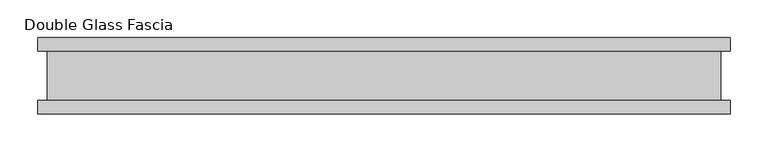
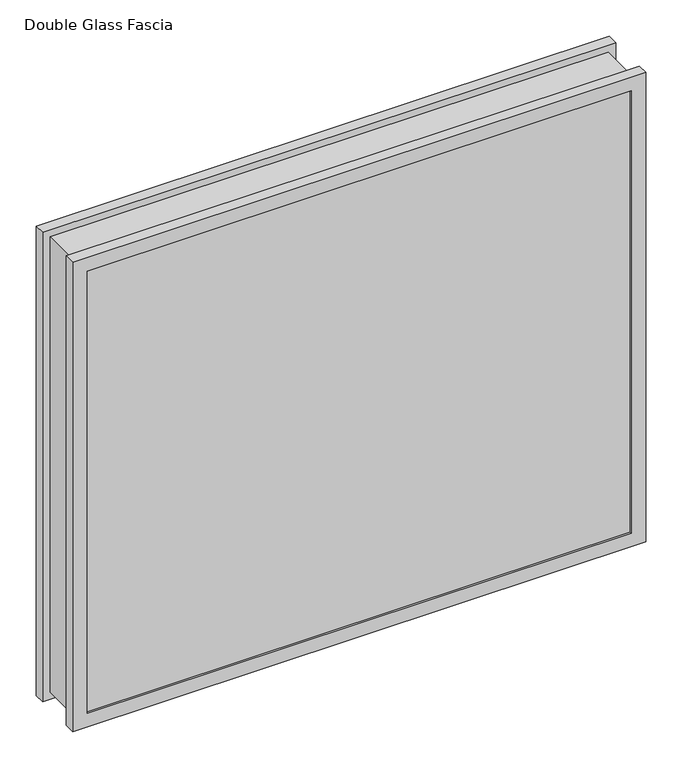
"""IFC4 building model written with IfcOpenShell, lengths in millimetres: proxy geometry, Double Glass Fascia."""

from ifc_helpers import new_model, si_unit, frame, origin, place, context, project, spatial, polyline, outline, extrude, faceted_brep, source, transform, mapped, element, save


def double_glass_fascia_8f38919f(model_context):
    return source(origin(), model_context, "Body", "SolidModel", [
        faceted_brep([(443.4640848, -32.4352299, 780.4920849), (443.4640848, -32.4352299, 15.0359151), (443.4640848, 32.4352299, 15.0359151), (443.4640848, 32.4352299, 780.4920849), (-443.4640848, -32.4352299, 15.0359151), (-443.4640848, 32.4352299, 15.0359151), (-443.4640848, -32.4352299, 780.4920849), (-443.4640848, 32.4352299, 780.4920849), (432.2871999, 38.8962152, 769.3152), (432.2871999, 38.8962152, 26.2128), (432.2871999, -38.8962152, 26.2128), (432.2871999, -38.8962152, 769.3152), (449.0218392, 47.1322551, 786.0498392), (449.0218392, 47.1322551, 9.4781608), (449.0218392, 38.8962152, 9.4781608), (449.0218392, 38.8962152, 786.0498392), (432.1093999, 50.0558594, 769.1374), (432.1093999, 50.0558594, 26.3906), (432.1093999, 47.1322551, 26.3906), (432.1093999, 47.1322551, 769.1374), (455.3249999, 32.4352299, 792.353), (455.3249999, 32.4352299, 3.175), (455.3249999, 50.0558594, 3.175), (455.3249999, 50.0558594, 792.353), (-432.2871999, 38.8962152, 26.2128), (-432.2871999, -38.8962152, 26.2128), (-449.0218392, 47.1322551, 9.4781608), (-449.0218392, 38.8962152, 9.4781608), (-432.1093999, 50.0558594, 26.3906), (-432.1093999, 47.1322551, 26.3906), (-455.3249999, 32.4352299, 3.175), (-455.3249999, 50.0558594, 3.175), (-432.2871999, 38.8962152, 769.3152), (-432.2871999, -38.8962152, 769.3152), (-449.0218392, 47.1322551, 786.0498392), (-449.0218392, 38.8962152, 786.0498392), (-432.1093999, 50.0558594, 769.1374), (-432.1093999, 47.1322551, 769.1374), (-455.3249999, 32.4352299, 792.353), (-455.3249999, 50.0558594, 792.353), (455.3249999, -50.0558594, 792.353), (455.3249999, -50.0558594, 3.175), (455.3249999, -32.4352299, 3.175), (455.3249999, -32.4352299, 792.353), (432.2871999, -47.1322551, 769.3152), (432.2871999, -47.1322551, 26.2128), (432.2871999, -50.0558594, 26.2128), (432.2871999, -50.0558594, 769.3152), (449.0218392, -38.8962152, 786.0498392), (449.0218392, -38.8962152, 9.4781608), (449.0218392, -47.1322551, 9.4781608), (449.0218392, -47.1322551, 786.0498392), (-455.3249999, -50.0558594, 3.175), (-455.3249999, -32.4352299, 3.175), (-432.2871999, -47.1322551, 26.2128), (-432.2871999, -50.0558594, 26.2128), (-449.0218392, -38.8962152, 9.4781608), (-449.0218392, -47.1322551, 9.4781608), (-455.3249999, -50.0558594, 792.353), (-455.3249999, -32.4352299, 792.353), (-432.2871999, -47.1322551, 769.3152), (-432.2871999, -50.0558594, 769.3152), (-449.0218392, -38.8962152, 786.0498392), (-449.0218392, -47.1322551, 786.0498392)], [[[0, 1, 2, 3]], [[1, 4, 5, 2]], [[4, 6, 7, 5]], [[6, 0, 3, 7]], [[8, 9, 10, 11]], [[12, 13, 14, 15]], [[16, 17, 18, 19]], [[20, 21, 22, 23]], [[9, 24, 25, 10]], [[13, 26, 27, 14]], [[17, 28, 29, 18]], [[21, 30, 31, 22]], [[24, 32, 33, 25]], [[26, 34, 35, 27]], [[28, 36, 37, 29]], [[30, 38, 39, 31]], [[32, 8, 11, 33]], [[15, 14, 27, 35], [9, 8, 32, 24]], [[34, 12, 15, 35]], [[13, 12, 34, 26], [19, 18, 29, 37]], [[36, 16, 19, 37]], [[23, 22, 31, 39], [17, 16, 36, 28]], [[38, 20, 23, 39]], [[21, 20, 38, 30], [3, 2, 5, 7]], [[40, 41, 42, 43]], [[44, 45, 46, 47]], [[48, 49, 50, 51]], [[41, 52, 53, 42]], [[45, 54, 55, 46]], [[49, 56, 57, 50]], [[52, 58, 59, 53]], [[54, 60, 61, 55]], [[56, 62, 63, 57]], [[43, 42, 53, 59], [1, 0, 6, 4]], [[58, 40, 43, 59]], [[41, 40, 58, 52], [47, 46, 55, 61]], [[60, 44, 47, 61]], [[51, 50, 57, 63], [45, 44, 60, 54]], [[62, 48, 51, 63]], [[49, 48, 62, 56], [11, 10, 25, 33]]]),
        extrude(outline(polyline([(444.5, 40.9277344), (-444.5, 40.9277344), (-444.5, 46.8808594), (444.5, 46.8808594), (444.5, 40.9277344)])), frame((0.0, 0.0, 5.3275263), z_axis=(0.0, 0.0, 1.0), x_axis=(1.0, 0.0, 0.0)), (0.0, 0.0, 1.0), 784.378928),
        extrude(outline(polyline([(444.5, -41.1791301), (444.5, -47.1322551), (-444.5, -47.1322551), (-444.5, -41.1791301), (444.5, -41.1791301)])), frame((0.0, 0.0, 5.3275263), z_axis=(0.0, 0.0, 1.0), x_axis=(1.0, 0.0, 0.0)), (0.0, 0.0, 1.0), 784.378928),
    ])


if __name__ == "__main__":
    model = new_model("IFC4")
    model_context = context("Model", 3, world=origin())
    ifc_project = project(units=[si_unit("LENGTHUNIT", "METRE", prefix="MILLI")], contexts=[model_context])
    site = spatial("IfcSite", under=ifc_project)
    building = spatial("IfcBuilding", under=site)
    placement = place(None, origin())
    double_glass_fascia_shape = double_glass_fascia_8f38919f(model_context)
    element("IfcBuildingElementProxy", 1, Name="Double Glass Fascia", ObjectType="Double Glass Fascia", at=placement, inside=building, context=model_context, shape_type="MappedRepresentation", body=[
        mapped(double_glass_fascia_shape, transform((0.0, 0.0, 0.0), x_axis=(1.0, 0.0, 0.0), y_axis=(0.0, 1.0, 0.0), z_axis=(0.0, 0.0, 1.0))),
    ])
    save(model, "model.ifc")
